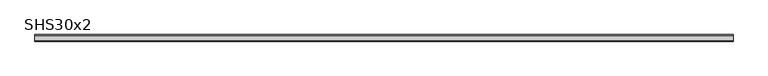
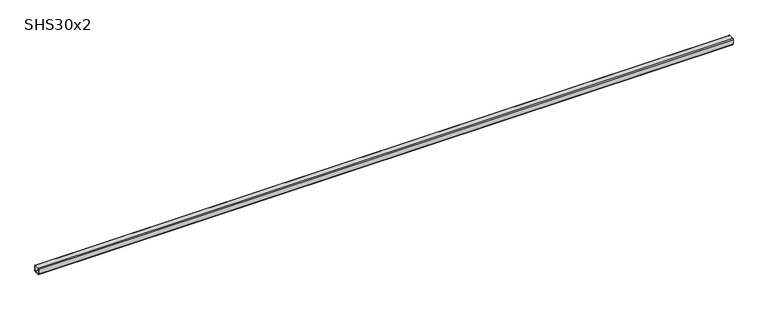
"""IFC4 building model written with IfcOpenShell, lengths in millimetres: beam geometry, SHS30x2."""

import ifcopenshell
import ifcopenshell.guid

model = None  # the IFC model being written
_history = None  # IfcOwnerHistory: only IFC2X3 demands one
_inside = {}  # id of a spatial element -> (the spatial element, [elements in it])
_under = {}  # id of a project, library or spatial element -> (it, [spatial elements below it])
_declared = {}  # id of a project -> (the project, [libraries it declares])
_typed = {}  # id of a type object -> (the type object, [elements of that type])
_made_of = {}  # id of a material, layer set ... -> (it, [elements and type objects made of it])


def new_model(schema):
    """Start an empty IFC model of exactly this schema.

    Asked for "IFC4X3", IfcOpenShell would pick the latest addendum, in which some entities
    have other attributes; the version numbers below select the first issue.
    IFC2X3 requires an IfcOwnerHistory on every rooted entity: one is made here for all.
    """
    global model, _history
    if schema == "IFC4X3":
        model = ifcopenshell.file(schema_version=(4, 3, 0, 0))
    else:
        model = ifcopenshell.file(schema=schema)
    _inside.clear()
    _under.clear()
    _declared.clear()
    _typed.clear()
    _made_of.clear()
    _history = None
    if model.schema == "IFC2X3":
        org = make("IfcOrganization", Name="unknown")
        user = make(
            "IfcPersonAndOrganization",
            ThePerson=make("IfcPerson", FamilyName="unknown"),
            TheOrganization=org,
        )
        app = make(
            "IfcApplication",
            ApplicationDeveloper=org,
            Version="unknown",
            ApplicationFullName="unknown",
            ApplicationIdentifier="unknown",
        )
        _history = make(
            "IfcOwnerHistory",
            OwningUser=user,
            OwningApplication=app,
            ChangeAction="ADDED",
            CreationDate=0,
        )
    return model


def make(cls, **values):
    """One entity of the class cls with the attributes given. An attribute that is None is left unset."""
    return model.create_entity(
        cls, **{name: value for name, value in values.items() if value is not None}
    )


def rooted(cls, **values):
    """An entity with a GlobalId (a new one), such as an element, a storey or a relation."""
    return make(cls, GlobalId=ifcopenshell.guid.new(), OwnerHistory=_history, **values)


def si_unit(unit_type, name, prefix=None):
    """IfcSIUnit, for example si_unit("LENGTHUNIT", "METRE", prefix="MILLI")."""
    return make("IfcSIUnit", UnitType=unit_type, Prefix=prefix, Name=name)


def assignment(units):
    """IfcUnitAssignment: the units of a project."""
    return None if units is None else make("IfcUnitAssignment", Units=units)


def point(xyz):
    """IfcCartesianPoint."""
    return None if xyz is None else make("IfcCartesianPoint", Coordinates=xyz)


def direction(xyz):
    """IfcDirection."""
    return None if xyz is None else make("IfcDirection", DirectionRatios=xyz)


def frame(location, z_axis=None, x_axis=None):
    """IfcAxis2Placement3D, a coordinate frame: its origin and axes. An axis left out is left unset."""
    return make(
        "IfcAxis2Placement3D",
        Location=point(location),
        Axis=direction(z_axis),
        RefDirection=direction(x_axis),
    )


def frame_2d(location, x_axis=None):
    """IfcAxis2Placement2D, a coordinate frame in the plane: its origin and x axis."""
    return make(
        "IfcAxis2Placement2D", Location=point(location), RefDirection=direction(x_axis)
    )


def origin():
    """The frame at (0, 0, 0) with its axes left unset."""
    return frame((0.0, 0.0, 0.0))


def place(relative_to, where):
    """IfcLocalPlacement: puts the frame where relative to a parent placement (None: the world)."""
    return make(
        "IfcLocalPlacement", PlacementRelTo=relative_to, RelativePlacement=where
    )


def context(
    kind, dimensions, precision=None, world=None, true_north=None, identifier=None
):
    """IfcGeometricRepresentationContext, for example the 3D "Model" context."""
    return make(
        "IfcGeometricRepresentationContext",
        ContextIdentifier=identifier,
        ContextType=kind,
        CoordinateSpaceDimension=dimensions,
        Precision=precision,
        WorldCoordinateSystem=world,
        TrueNorth=true_north,
    )


def project(units=None, contexts=None):
    """IfcProject with its units and contexts."""
    return rooted(
        "IfcProject",
        Name="project",
        RepresentationContexts=contexts,
        UnitsInContext=assignment(units),
    )


def spatial(cls, under=None, at=None, **own):
    """A site, building, storey or space (cls), placed at a placement, below another one or the project."""
    s = rooted(cls, ObjectPlacement=at, **own)
    if under is not None:
        _under.setdefault(under.id(), (under, []))[1].append(s)
    return s


def polyline(points):
    """IfcPolyline through the points."""
    return make("IfcPolyline", Points=[point(p) for p in points])


def circle_curve(where, radius):
    """IfcCircle in the frame where."""
    return make("IfcCircle", Position=where, Radius=radius)


def trimmed(basis, trim1, trim2, sense, master):
    """IfcTrimmedCurve: the piece of a basis curve between two trims."""
    return make(
        "IfcTrimmedCurve",
        BasisCurve=basis,
        Trim1=trim1,
        Trim2=trim2,
        SenseAgreement=sense,
        MasterRepresentation=master,
    )


def segment(curve, same_sense, transition):
    """IfcCompositeCurveSegment."""
    return make(
        "IfcCompositeCurveSegment",
        Transition=transition,
        SameSense=same_sense,
        ParentCurve=curve,
    )


def composite_curve(segments, self_intersect=None):
    """IfcCompositeCurve: segments joined end to end."""
    return make("IfcCompositeCurve", Segments=segments, SelfIntersect=self_intersect)


def outline(outer, holes=None, kind="AREA"):
    """IfcArbitraryClosedProfileDef: a profile drawn as a closed curve; with holes, ...WithVoids."""
    if holes is None:
        return make("IfcArbitraryClosedProfileDef", ProfileType=kind, OuterCurve=outer)
    return make(
        "IfcArbitraryProfileDefWithVoids",
        ProfileType=kind,
        OuterCurve=outer,
        InnerCurves=holes,
    )


def extrude(swept, where, along, depth):
    """IfcExtrudedAreaSolid: the profile swept, set in the frame where, extruded along a direction by depth."""
    return make(
        "IfcExtrudedAreaSolid",
        SweptArea=swept,
        Position=where,
        ExtrudedDirection=direction(along),
        Depth=depth,
    )


def shape(context_of_items, identifier, shape_type, items):
    """IfcShapeRepresentation: the items that make up one representation, for example the "Body"."""
    return make(
        "IfcShapeRepresentation",
        ContextOfItems=context_of_items,
        RepresentationIdentifier=identifier,
        RepresentationType=shape_type,
        Items=items,
    )


def source(mapping_origin, context_of_items, identifier, shape_type, items):
    """IfcRepresentationMap: a shape defined once, which mapped items show again and again."""
    return make(
        "IfcRepresentationMap",
        MappingOrigin=mapping_origin,
        MappedRepresentation=shape(context_of_items, identifier, shape_type, items),
    )


def transform(
    local_origin,
    x_axis=None,
    y_axis=None,
    z_axis=None,
    scale=None,
    scale2=None,
    scale3=None,
    uniform=True,
):
    """IfcCartesianTransformationOperator3D, or its non-uniform kind. x_axis, y_axis, z_axis: its Axis1, 2, 3."""
    if uniform:
        return make(
            "IfcCartesianTransformationOperator3D",
            Axis1=direction(x_axis),
            Axis2=direction(y_axis),
            LocalOrigin=point(local_origin),
            Scale=scale,
            Axis3=direction(z_axis),
        )
    return make(
        "IfcCartesianTransformationOperator3DnonUniform",
        Axis1=direction(x_axis),
        Axis2=direction(y_axis),
        LocalOrigin=point(local_origin),
        Scale=scale,
        Axis3=direction(z_axis),
        Scale2=scale2,
        Scale3=scale3,
    )


def mapped(mapping_source, mapping_target):
    """IfcMappedItem: shows the shape of a source again, moved by a transform."""
    return make(
        "IfcMappedItem", MappingSource=mapping_source, MappingTarget=mapping_target
    )


def made_of(thing, what):
    """Note that an element or type object is made of a material, layer set ...; save() writes the relation."""
    if what is not None:
        _made_of.setdefault(what.id(), (what, []))[1].append(thing)
    return thing


def element(
    cls,
    number,
    at=None,
    inside=None,
    cuts=None,
    type_object=None,
    material=None,
    context=None,
    identifier="Body",
    shape_type=None,
    held_by="IfcProductDefinitionShape",
    body=None,
    shapes=None,
    **own,
):
    """One element of the class cls, such as IfcWall. Its Tag is "e" and its number.

    at: its placement. inside: the storey or other place that contains it. cuts: it is an
    opening in that element (IfcRelVoidsElement). A single representation is given by context,
    identifier, shape_type and body (its items); several are given by shapes. held_by: the class
    of the entity that holds the representations. save() writes the other relations.
    """
    e = rooted(cls, Tag="e%d" % number, ObjectPlacement=at, **own)
    if body is not None:
        shapes = [shape(context, identifier, shape_type, body)]
    if shapes is not None:
        e.Representation = make(held_by, Representations=shapes)
    if inside is not None:
        _inside.setdefault(inside.id(), (inside, []))[1].append(e)
    if cuts is not None:
        rooted(
            "IfcRelVoidsElement", RelatingBuildingElement=cuts, RelatedOpeningElement=e
        )
    if type_object is not None:
        _typed.setdefault(type_object.id(), (type_object, []))[1].append(e)
    return made_of(e, material)


def aggregate(whole, parts):
    """IfcRelAggregates: a whole, such as a stair, and the parts it consists of."""
    return rooted("IfcRelAggregates", RelatingObject=whole, RelatedObjects=parts)


def save(model, path):
    """Write the relations noted so far, then the file.

    IfcRelAggregates (storeys below a building ...), IfcRelContainedInSpatialStructure (elements
    in a storey), IfcRelDefinesByType, IfcRelAssociatesMaterial and IfcRelDeclares: one each for
    every whole, place, type object, material and project.
    """
    for whole, parts in _under.values():
        aggregate(whole, parts)
    for where, things in _inside.values():
        rooted(
            "IfcRelContainedInSpatialStructure",
            RelatedElements=things,
            RelatingStructure=where,
        )
    for kind, things in _typed.values():
        rooted("IfcRelDefinesByType", RelatedObjects=things, RelatingType=kind)
    for what, things in _made_of.values():
        rooted("IfcRelAssociatesMaterial", RelatedObjects=things, RelatingMaterial=what)
    for by, libraries in _declared.values():
        rooted("IfcRelDeclares", RelatingContext=by, RelatedDefinitions=libraries)
    model.write(path)


def shs30x2_b42448f9(model_context):
    return source(origin(), model_context, "Body", "SweptSolid", [
        extrude(outline(composite_curve([segment(polyline([(15.0, 11.0), (15.0, -11.0)]), True, "CONTINUOUS"), segment(trimmed(circle_curve(frame_2d((11.0, -11.0)), 4.0), [point((15.0, -11.0))], [point((11.0, -15.0))], False, "CARTESIAN"), True, "CONTINUOUS"), segment(polyline([(11.0, -15.0), (-11.0, -15.0)]), True, "CONTINUOUS"), segment(trimmed(circle_curve(frame_2d((-11.0, -11.0)), 4.0), [point((-11.0, -15.0))], [point((-15.0, -11.0))], False, "CARTESIAN"), True, "CONTINUOUS"), segment(polyline([(-15.0, -11.0), (-15.0, 11.0)]), True, "CONTINUOUS"), segment(trimmed(circle_curve(frame_2d((-11.0, 11.0)), 4.0), [point((-15.0, 11.0))], [point((-11.0, 15.0))], False, "CARTESIAN"), True, "CONTINUOUS"), segment(polyline([(-11.0, 15.0), (11.0, 15.0)]), True, "CONTINUOUS"), segment(trimmed(circle_curve(frame_2d((11.0, 11.0)), 4.0), [point((11.0, 15.0))], [point((15.0, 11.0))], False, "CARTESIAN"), True, "CONTINUOUS")], self_intersect=False), holes=[composite_curve([segment(trimmed(circle_curve(frame_2d((-11.0, 11.0)), 2.0), [point((-11.0, 13.0))], [point((-13.0, 11.0))], True, "CARTESIAN"), True, "CONTINUOUS"), segment(polyline([(-13.0, 11.0), (-13.0, -11.0)]), True, "CONTINUOUS"), segment(trimmed(circle_curve(frame_2d((-11.0, -11.0)), 2.0), [point((-13.0, -11.0))], [point((-11.0, -13.0))], True, "CARTESIAN"), True, "CONTINUOUS"), segment(polyline([(-11.0, -13.0), (11.0, -13.0)]), True, "CONTINUOUS"), segment(trimmed(circle_curve(frame_2d((11.0, -11.0)), 2.0), [point((11.0, -13.0))], [point((13.0, -11.0))], True, "CARTESIAN"), True, "CONTINUOUS"), segment(polyline([(13.0, -11.0), (13.0, 11.0)]), True, "CONTINUOUS"), segment(trimmed(circle_curve(frame_2d((11.0, 11.0)), 2.0), [point((13.0, 11.0))], [point((11.0, 13.0))], True, "CARTESIAN"), True, "CONTINUOUS"), segment(polyline([(11.0, 13.0), (-11.0, 13.0)]), True, "CONTINUOUS")], self_intersect=False)]), frame((-1668.0, 0.0, 0.0), z_axis=(1.0, 0.0, 0.0), x_axis=(0.0, 1.0, 0.0)), (0.0, 0.0, 1.0), 3162.0),
    ])


if __name__ == "__main__":
    model = new_model("IFC4")
    model_context = context("Model", 3, world=origin())
    ifc_project = project(units=[si_unit("LENGTHUNIT", "METRE", prefix="MILLI")], contexts=[model_context])
    site = spatial("IfcSite", under=ifc_project)
    building = spatial("IfcBuilding", under=site)
    placement = place(None, origin())
    shs30x2_shape = shs30x2_b42448f9(model_context)
    element("IfcBeam", 1, ObjectType="SHS30x2", at=placement, inside=building, context=model_context, shape_type="MappedRepresentation", body=[
        mapped(shs30x2_shape, transform((0.0, 0.0, 0.0), x_axis=(1.0, 0.0, 0.0), y_axis=(0.0, 1.0, 0.0), z_axis=(0.0, 0.0, 1.0))),
    ])
    save(model, "model.ifc")
